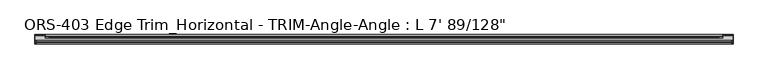
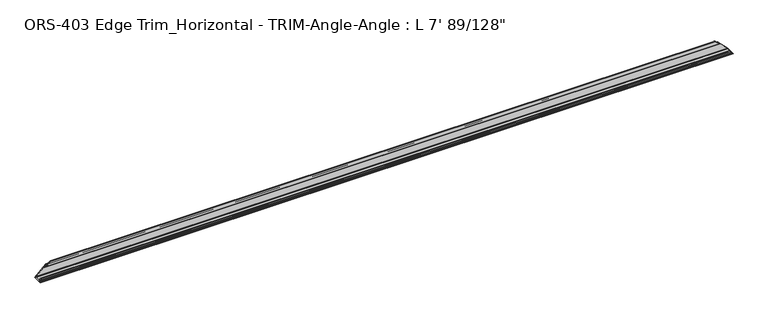
"""IFC4 building model written with IfcOpenShell, lengths in millimetres: proxy geometry."""

from ifc_helpers import new_model, si_unit, frame, origin, place, context, project, spatial, polyline, ellipse_curve, source, transform, mapped, element, save
from ifc_brep_helpers import plane_surface, cylinder_surface, revolved_surface, advanced_brep


def proxy_27303df1(model_context):
    return source(origin(), model_context, "Body", "AdvancedBrep", [
        advanced_brep(
        [(2117.8457677, 19.6849659, 33.4151698), (33.4151698, 19.6849659, 33.4151698), (33.4151698, 14.292309, 33.4151698), (2117.8457677, 14.292309, 33.4151698), (43.9912567, 12.4813352, 43.9912567), (2107.2696808, 12.4813352, 43.9912567), (43.9251729, 10.1599659, 43.9251729), (2107.3357646, 10.1599659, 43.9251729), (31.8403698, 10.1599659, 31.8403698), (2119.4205677, 10.1599659, 31.8403698), (31.8403698, 16.8401659, 31.8403698), (2119.4205677, 16.8401659, 31.8403698), (30.5703698, 18.1101659, 30.5703698), (2120.6905677, 18.1101659, 30.5703698), (26.9486086, 18.1101659, 26.9486086), (2124.3123289, 18.1101659, 26.9486086), (26.1600648, 18.5286393, 26.1600648), (2125.1008727, 18.5286393, 26.1600648), (25.3762055, 18.5286393, 25.3762055), (2125.884732, 18.5286393, 25.3762055), (24.5876618, 18.1101659, 24.5876618), (2126.6732757, 18.1101659, 24.5876618), (3.1623, 18.1101659, 3.1623), (2148.0986375, 18.1101659, 3.1623), (1.5748, 16.5226659, 1.5748), (2149.6861375, 16.5226659, 1.5748), (1.5748, 2.8574659, 1.5748), (2149.6861375, 2.8574659, 1.5748), (3.1623, 1.2699659, 3.1623), (2148.0986375, 1.2699659, 3.1623), (5.6896, 1.2699659, 5.6896), (2145.5713375, 1.2699659, 5.6896), (5.6896, -1.9177341, 5.6896), (2145.5713375, -1.9177341, 5.6896), (5.6896, -5.0673341, 5.6896), (2145.5713375, -5.0673341, 5.6896), (5.6896, -8.8900341, 5.6896), (2145.5713375, -8.8900341, 5.6896), (4.0500705, -8.8900341, 4.0500705), (2147.210867, -8.8900341, 4.0500705), (4.0500705, -7.4768015, 4.0500705), (2147.210867, -7.4768015, 4.0500705), (4.3039002, -6.695594, 4.3039002), (2146.9570373, -6.695594, 4.3039002), (4.0500705, -5.9143865, 4.0500705), (2147.210867, -5.9143865, 4.0500705), (4.3039002, -5.133179, 4.3039002), (2146.9570373, -5.133179, 4.3039002), (4.0500705, -4.3519716, 4.0500705), (2147.210867, -4.3519716, 4.0500705), (4.3039002, -3.5707641, 4.3039002), (2146.9570373, -3.5707641, 4.3039002), (4.0500705, -2.7895566, 4.0500705), (2147.210867, -2.7895566, 4.0500705), (4.3039002, -2.0083491, 4.3039002), (2146.9570373, -2.0083491, 4.3039002), (4.0500705, -1.2271416, 4.0500705), (2147.210867, -1.2271416, 4.0500705), (4.3039002, -0.4459342, 4.3039002), (2146.9570373, -0.4459342, 4.3039002), (1.3857004, -0.4459342, 1.3857004), (2149.8752371, -0.4459342, 1.3857004), (1.6395301, -1.2271416, 1.6395301), (2149.6214074, -1.2271416, 1.6395301), (1.3857004, -2.0083491, 1.3857004), (2149.8752371, -2.0083491, 1.3857004), (1.6395301, -2.7895566, 1.6395301), (2149.6214074, -2.7895566, 1.6395301), (1.3857004, -3.5707641, 1.3857004), (2149.8752371, -3.5707641, 1.3857004), (1.6395301, -4.3519716, 1.6395301), (2149.6214074, -4.3519716, 1.6395301), (1.3857004, -5.133179, 1.3857004), (2149.8752371, -5.133179, 1.3857004), (1.6395301, -5.9143865, 1.6395301), (2149.6214074, -5.9143865, 1.6395301), (1.3857004, -6.695594, 1.3857004), (2149.8752371, -6.695594, 1.3857004), (1.6395301, -7.4768015, 1.6395301), (2149.6214074, -7.4768015, 1.6395301), (1.6395301, -8.8900341, 1.6395301), (2149.6214074, -8.8900341, 1.6395301), (0.0, -8.8900341, 0.0), (2151.2609375, -8.8900341, 0.0), (0.0, 19.6849659, 0.0), (2151.2609375, 19.6849659, 0.0)],
        [
            (0, 1),
            (1, 2),
            (2, 3),
            (3, 0),
            (2, 4),
            (4, 5),
            (5, 3),
            (4, 6, ellipse_curve(frame((42.8344152, 11.3526424, 42.8344152), z_axis=(0.707106781186547, 0.0, -0.707106781186548), x_axis=(0.707106781186548, 0.0, 0.707106781186547)), 2.2857076, 1.6162393)),
            (6, 7),
            (7, 5, ellipse_curve(frame((2108.4265223, 11.3526424, 42.8344152), z_axis=(-0.7071067811870584, 0.0, -0.7071067811860369), x_axis=(0.7071067811860365, 0.0, -0.7071067811870585)), 2.2857076, 1.6162393)),
            (6, 8),
            (8, 9),
            (9, 7),
            (8, 10),
            (10, 11),
            (11, 9),
            (10, 12, ellipse_curve(frame((30.5703698, 16.8401659, 30.5703698), z_axis=(-0.707106781186547, 0.0, 0.707106781186548), x_axis=(-0.707106781186548, 0.0, -0.707106781186547)), 1.7960512, 1.27)),
            (12, 13),
            (13, 11, ellipse_curve(frame((2120.6905677, 16.8401659, 30.5703698), z_axis=(0.7071067811870584, 0.0, 0.7071067811860369), x_axis=(-0.7071067811860365, 0.0, 0.7071067811870585)), 1.7960512, 1.27)),
            (12, 14),
            (14, 15),
            (15, 13),
            (14, 16),
            (16, 17),
            (17, 15),
            (16, 18),
            (18, 19),
            (19, 17),
            (18, 20),
            (20, 21),
            (21, 19),
            (20, 22),
            (22, 23),
            (23, 21),
            (22, 24, ellipse_curve(frame((3.1623, 16.5226659, 3.1623), z_axis=(-0.707106781186547, 0.0, 0.707106781186548), x_axis=(-0.707106781186548, 0.0, -0.707106781186547)), 2.245064, 1.5875)),
            (24, 25),
            (25, 23, ellipse_curve(frame((2148.0986375, 16.5226659, 3.1623), z_axis=(0.7071067811870584, 0.0, 0.7071067811860369), x_axis=(-0.7071067811860365, 0.0, 0.7071067811870585)), 2.245064, 1.5875)),
            (24, 26),
            (26, 27),
            (27, 25),
            (26, 28, ellipse_curve(frame((3.1623, 2.8574659, 3.1623), z_axis=(-0.707106781186547, 0.0, 0.707106781186548), x_axis=(-0.707106781186548, 0.0, -0.707106781186547)), 2.245064, 1.5875)),
            (28, 29),
            (29, 27, ellipse_curve(frame((2148.0986375, 2.8574659, 3.1623), z_axis=(0.7071067811870584, 0.0, 0.7071067811860369), x_axis=(-0.7071067811860365, 0.0, 0.7071067811870585)), 2.245064, 1.5875)),
            (28, 30),
            (30, 31),
            (31, 29),
            (30, 32),
            (32, 33),
            (33, 31),
            (32, 34, ellipse_curve(frame((5.6896, -3.4925341, 5.6896), z_axis=(0.707106781186547, 0.0, -0.707106781186548), x_axis=(0.707106781186548, 0.0, 0.707106781186547)), 2.2271035, 1.5748)),
            (34, 35),
            (35, 33, ellipse_curve(frame((2145.5713375, -3.4925341, 5.6896), z_axis=(-0.7071067811870584, 0.0, -0.7071067811860369), x_axis=(0.7071067811860365, 0.0, -0.7071067811870585)), 2.2271035, 1.5748)),
            (34, 36),
            (36, 37),
            (37, 35),
            (36, 38),
            (38, 39),
            (39, 37),
            (38, 40),
            (40, 41),
            (41, 39),
            (40, 42),
            (42, 43),
            (43, 41),
            (42, 44),
            (44, 45),
            (45, 43),
            (44, 46),
            (46, 47),
            (47, 45),
            (46, 48),
            (48, 49),
            (49, 47),
            (48, 50),
            (50, 51),
            (51, 49),
            (50, 52),
            (52, 53),
            (53, 51),
            (52, 54),
            (54, 55),
            (55, 53),
            (54, 56),
            (56, 57),
            (57, 55),
            (56, 58),
            (58, 59),
            (59, 57),
            (58, 60),
            (60, 61),
            (61, 59),
            (60, 62),
            (62, 63),
            (63, 61),
            (62, 64),
            (64, 65),
            (65, 63),
            (64, 66),
            (66, 67),
            (67, 65),
            (66, 68),
            (68, 69),
            (69, 67),
            (68, 70),
            (70, 71),
            (71, 69),
            (70, 72),
            (72, 73),
            (73, 71),
            (72, 74),
            (74, 75),
            (75, 73),
            (74, 76),
            (76, 77),
            (77, 75),
            (76, 78),
            (78, 79),
            (79, 77),
            (78, 80),
            (80, 81),
            (81, 79),
            (82, 83),
            (83, 81),
            (80, 82),
            (82, 84),
            (84, 85),
            (85, 83),
            (84, 1),
            (0, 85),
        ],
        [
            plane_surface(frame((2151.2609375, 19.6849659, 33.4151698), z_axis=(0.0, 0.0, 1.0), x_axis=(-1.0, 0.0, 0.0))),
            plane_surface(frame((2151.2609375, 14.292309, 33.4151698), z_axis=(0.0, 0.9856543593987945, 0.16877643140602303), x_axis=(-1.0, 0.0, 0.0))),
            cylinder_surface(frame((0.0, 11.3526424, 42.8344152), z_axis=(1.0, 0.0, 0.0), x_axis=(0.0, 1.0, 0.0)), 1.6162393),
            plane_surface(frame((2151.2609375, 10.1599659, 43.9251729), z_axis=(0.0, -1.0, 0.0), x_axis=(-1.0, 0.0, 0.0))),
            plane_surface(frame((2151.2609375, 10.1599659, 31.8403698), z_axis=(0.0, 1.2968080348435037e-12, -1.0), x_axis=(-1.0, 0.0, 0.0))),
            revolved_surface(polyline([(29.300369817121766, 18.1101659, 30.5703698), (2121.9605676828774, 18.1101659, 30.5703698)]), (0.0, 16.8401659, 30.5703698), (-1.0, 0.0, 0.0)),
            plane_surface(frame((2151.2609375, 18.1101659, 30.5703698), z_axis=(0.0, -1.0, 1.5953871677516757e-12), x_axis=(-1.0, 0.0, 0.0))),
            plane_surface(frame((2151.2609375, 18.1101659, 26.9486086), z_axis=(0.0, -0.8833200708174842, -0.4687703622148), x_axis=(-1.0, 0.0, 0.0))),
            plane_surface(frame((2151.2609375, 18.5286393, 26.1600648), z_axis=(0.0, -1.0, 0.0), x_axis=(-1.0, 0.0, 0.0))),
            plane_surface(frame((2151.2609375, 18.5286393, 25.3762055), z_axis=(0.0, -0.8833200708184621, 0.4687703622129573), x_axis=(-1.0, 0.0, 0.0))),
            plane_surface(frame((2151.2609375, 18.1101659, 24.5876618), z_axis=(0.0, -1.0, 0.0), x_axis=(-1.0, 0.0, 0.0))),
            revolved_surface(polyline([(1.5748, 18.1101659, 3.1623), (2149.6861375, 18.1101659, 3.1623)]), (0.0, 16.5226659, 3.1623), (-1.0, 0.0, 0.0)),
            plane_surface(frame((2151.2609375, 16.5226659, 1.5748), z_axis=(0.0, 0.0, 1.0), x_axis=(-1.0, 0.0, 0.0))),
            revolved_surface(polyline([(1.5748, 4.4449659, 3.1623), (2149.6861375, 4.4449659, 3.1623)]), (0.0, 2.8574659, 3.1623), (-1.0, 0.0, 0.0)),
            plane_surface(frame((2151.2609375, 1.2699659, 3.1623), z_axis=(0.0, 1.0, 0.0), x_axis=(-1.0, 0.0, 0.0))),
            plane_surface(frame((2151.2609375, 1.2699659, 5.6896), z_axis=(0.0, 0.0, 1.0), x_axis=(-1.0, 0.0, 0.0))),
            cylinder_surface(frame((0.0, -3.4925341, 5.6896), z_axis=(1.0, 0.0, 0.0), x_axis=(0.0, 1.0, 0.0)), 1.5748),
            plane_surface(frame((2151.2609375, -5.0673341, 5.6896), z_axis=(0.0, 0.0, 1.0), x_axis=(-1.0, 0.0, 0.0))),
            plane_surface(frame((2151.2609375, -8.8900341, 5.6896), z_axis=(0.0, -1.0, 0.0), x_axis=(-1.0, 0.0, 0.0))),
            plane_surface(frame((2151.2609375, -8.8900341, 4.0500705), z_axis=(0.0, 0.0, -1.0), x_axis=(-1.0, 0.0, 0.0))),
            plane_surface(frame((2151.2609375, -7.4768015, 4.0500705), z_axis=(0.0, 0.3090169943749553, -0.9510565162951511), x_axis=(-1.0, 0.0, 0.0))),
            plane_surface(frame((2151.2609375, -6.695594, 4.3039002), z_axis=(0.0, -0.3090169943749486, -0.9510565162951533), x_axis=(-1.0, 0.0, 0.0))),
            plane_surface(frame((2151.2609375, -5.9143865, 4.0500705), z_axis=(0.0, 0.3090169943749555, -0.951056516295151), x_axis=(-1.0, 0.0, 0.0))),
            plane_surface(frame((2151.2609375, -5.133179, 4.3039002), z_axis=(0.0, -0.3090169943749748, -0.9510565162951446), x_axis=(-1.0, 0.0, 0.0))),
            plane_surface(frame((2151.2609375, -4.3519716, 4.0500705), z_axis=(0.0, 0.3090169943749981, -0.9510565162951371), x_axis=(-1.0, 0.0, 0.0))),
            plane_surface(frame((2151.2609375, -3.5707641, 4.3039002), z_axis=(0.0, -0.30901699437494895, -0.9510565162951532), x_axis=(-1.0, 0.0, 0.0))),
            plane_surface(frame((2151.2609375, -2.7895566, 4.0500705), z_axis=(0.0, 0.3090169943749561, -0.9510565162951508), x_axis=(-1.0, 0.0, 0.0))),
            plane_surface(frame((2151.2609375, -2.0083491, 4.3039002), z_axis=(0.0, -0.30901699437494257, -0.9510565162951552), x_axis=(-1.0, 0.0, 0.0))),
            plane_surface(frame((2151.2609375, -1.2271416, 4.0500705), z_axis=(0.0, 0.3090169943749565, -0.9510565162951506), x_axis=(-1.0, 0.0, 0.0))),
            plane_surface(frame((2151.2609375, -0.4459342, 4.3039002), z_axis=(0.0, -1.0, 0.0), x_axis=(-1.0, 0.0, 0.0))),
            plane_surface(frame((2151.2609375, -0.4459342, 1.3857004), z_axis=(0.0, 0.3090169943749626, 0.9510565162951486), x_axis=(-1.0, 0.0, 0.0))),
            plane_surface(frame((2151.2609375, -1.2271416, 1.6395301), z_axis=(0.0, -0.30901699437493707, 0.951056516295157), x_axis=(-1.0, 0.0, 0.0))),
            plane_surface(frame((2151.2609375, -2.0083491, 1.3857004), z_axis=(0.0, 0.3090169943749626, 0.9510565162951486), x_axis=(-1.0, 0.0, 0.0))),
            plane_surface(frame((2151.2609375, -2.7895566, 1.6395301), z_axis=(0.0, -0.3090169943749421, 0.9510565162951553), x_axis=(-1.0, 0.0, 0.0))),
            plane_surface(frame((2151.2609375, -3.5707641, 1.3857004), z_axis=(0.0, 0.309016994375005, 0.9510565162951349), x_axis=(-1.0, 0.0, 0.0))),
            plane_surface(frame((2151.2609375, -4.3519716, 1.6395301), z_axis=(0.0, -0.30901699437496927, 0.9510565162951465), x_axis=(-1.0, 0.0, 0.0))),
            plane_surface(frame((2151.2609375, -5.133179, 1.3857004), z_axis=(0.0, 0.30901699437496183, 0.951056516295149), x_axis=(-1.0, 0.0, 0.0))),
            plane_surface(frame((2151.2609375, -5.9143865, 1.6395301), z_axis=(0.0, -0.30901699437494223, 0.9510565162951553), x_axis=(-1.0, 0.0, 0.0))),
            plane_surface(frame((2151.2609375, -6.695594, 1.3857004), z_axis=(0.0, 0.30901699437496144, 0.9510565162951491), x_axis=(-1.0, 0.0, 0.0))),
            plane_surface(frame((2151.2609375, -7.4768015, 1.6395301), z_axis=(0.0, 0.0, 1.0), x_axis=(-1.0, 0.0, 0.0))),
            plane_surface(frame((2151.2609375, -8.8900341, 1.6395301), z_axis=(0.0, -1.0, 0.0), x_axis=(-1.0, 0.0, 0.0))),
            plane_surface(frame((2151.2609375, -8.8900341, 0.0), z_axis=(0.0, 0.0, -1.0), x_axis=(-1.0, 0.0, 0.0))),
            plane_surface(frame((2151.2609375, 19.6849659, 0.0), z_axis=(0.0, 1.0, 0.0), x_axis=(-1.0, 0.0, 0.0))),
            plane_surface(frame((0.0, -8.8900341, 0.0), z_axis=(-0.707106781186547, 0.0, 0.707106781186548), x_axis=(0.0, 1.0, 0.0))),
            plane_surface(frame((2106.4862739, -8.8900341, 44.7746636), z_axis=(0.7071067811870584, 0.0, 0.7071067811860369), x_axis=(0.0, 1.0, 0.0))),
        ],
        [
            (0, [[1, 2, 3, 4]]),
            (1, [[-3, 5, 6, 7]]),
            (2, [[-6, 8, 9, 10]]),
            (3, [[-9, 11, 12, 13]]),
            (4, [[-12, 14, 15, 16]]),
            (5, [[-15, 17, 18, 19]]),
            (6, [[-18, 20, 21, 22]]),
            (7, [[-21, 23, 24, 25]]),
            (8, [[-24, 26, 27, 28]]),
            (9, [[-27, 29, 30, 31]]),
            (10, [[-30, 32, 33, 34]]),
            (11, [[-33, 35, 36, 37]]),
            (12, [[-36, 38, 39, 40]]),
            (13, [[-39, 41, 42, 43]]),
            (14, [[-42, 44, 45, 46]]),
            (15, [[-45, 47, 48, 49]]),
            (16, [[-48, 50, 51, 52]]),
            (17, [[-51, 53, 54, 55]]),
            (18, [[-54, 56, 57, 58]]),
            (19, [[-57, 59, 60, 61]]),
            (20, [[-60, 62, 63, 64]]),
            (21, [[-63, 65, 66, 67]]),
            (22, [[-66, 68, 69, 70]]),
            (23, [[-69, 71, 72, 73]]),
            (24, [[-72, 74, 75, 76]]),
            (25, [[-75, 77, 78, 79]]),
            (26, [[-78, 80, 81, 82]]),
            (27, [[-81, 83, 84, 85]]),
            (28, [[-84, 86, 87, 88]]),
            (29, [[-87, 89, 90, 91]]),
            (30, [[-90, 92, 93, 94]]),
            (31, [[-93, 95, 96, 97]]),
            (32, [[-96, 98, 99, 100]]),
            (33, [[-99, 101, 102, 103]]),
            (34, [[-102, 104, 105, 106]]),
            (35, [[-105, 107, 108, 109]]),
            (36, [[-108, 110, 111, 112]]),
            (37, [[-111, 113, 114, 115]]),
            (38, [[-114, 116, 117, 118]]),
            (39, [[-117, 119, 120, 121]]),
            (40, [[122, 123, -120, 124]]),
            (41, [[-122, 125, 126, 127]]),
            (42, [[-126, 128, -1, 129]]),
            (43, [[-2, -128, -125, -124, -119, -116, -113, -110, -107, -104, -101, -98, -95, -92, -89, -86, -83, -80, -77, -74, -71, -68, -65, -62, -59, -56, -53, -50, -47, -44, -41, -38, -35, -32, -29, -26, -23, -20, -17, -14, -11, -8, -5]]),
            (44, [[-4, -7, -10, -13, -16, -19, -22, -25, -28, -31, -34, -37, -40, -43, -46, -49, -52, -55, -58, -61, -64, -67, -70, -73, -76, -79, -82, -85, -88, -91, -94, -97, -100, -103, -106, -109, -112, -115, -118, -121, -123, -127, -129]]),
        ],
    ),
    ])


if __name__ == "__main__":
    model = new_model("IFC4")
    model_context = context("Model", 3, world=origin())
    ifc_project = project(units=[si_unit("LENGTHUNIT", "METRE", prefix="MILLI")], contexts=[model_context])
    site = spatial("IfcSite", under=ifc_project)
    building = spatial("IfcBuilding", under=site)
    placement = place(None, origin())
    proxy_shape = proxy_27303df1(model_context)
    element("IfcBuildingElementProxy", 1, Name="ORS-403 Edge Trim_Horizontal - TRIM-Angle-Angle : L 7' 89/128\"", ObjectType="ORS-403 Edge Trim_Horizontal - TRIM-Angle-Angle : L 7' 89/128\"", at=placement, inside=building, context=model_context, shape_type="MappedRepresentation", body=[
        mapped(proxy_shape, transform((0.0, 0.0, 0.0), x_axis=(1.0, 0.0, 0.0), y_axis=(0.0, 1.0, 0.0), z_axis=(0.0, 0.0, 1.0))),
    ])
    save(model, "model.ifc")
